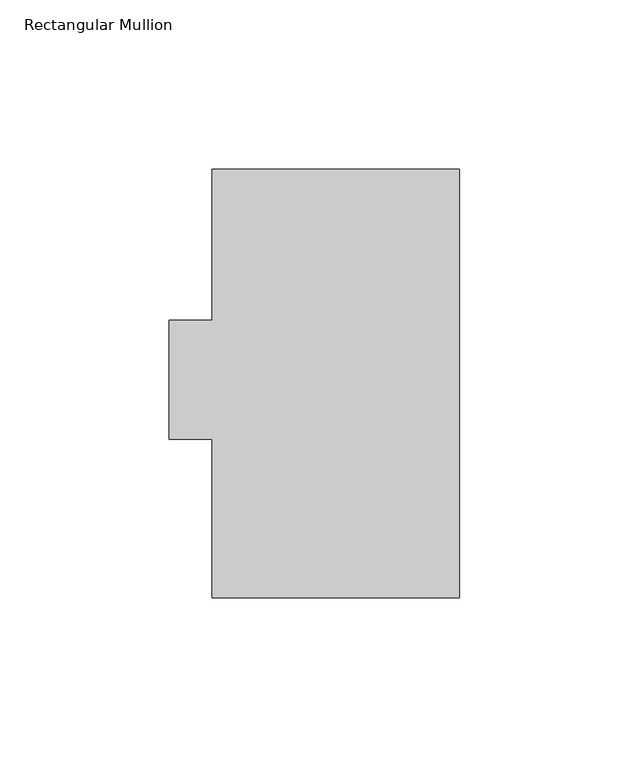
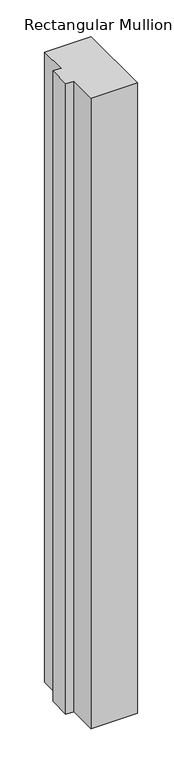
"""IFC4 building model written with IfcOpenShell, lengths in millimetres: member geometry, Rectangular Mullion."""

import ifcopenshell
import ifcopenshell.guid

model = None  # the IFC model being written
_history = None  # IfcOwnerHistory: only IFC2X3 demands one
_inside = {}  # id of a spatial element -> (the spatial element, [elements in it])
_under = {}  # id of a project, library or spatial element -> (it, [spatial elements below it])
_declared = {}  # id of a project -> (the project, [libraries it declares])
_typed = {}  # id of a type object -> (the type object, [elements of that type])
_made_of = {}  # id of a material, layer set ... -> (it, [elements and type objects made of it])


def new_model(schema):
    """Start an empty IFC model of exactly this schema.

    Asked for "IFC4X3", IfcOpenShell would pick the latest addendum, in which some entities
    have other attributes; the version numbers below select the first issue.
    IFC2X3 requires an IfcOwnerHistory on every rooted entity: one is made here for all.
    """
    global model, _history
    if schema == "IFC4X3":
        model = ifcopenshell.file(schema_version=(4, 3, 0, 0))
    else:
        model = ifcopenshell.file(schema=schema)
    _inside.clear()
    _under.clear()
    _declared.clear()
    _typed.clear()
    _made_of.clear()
    _history = None
    if model.schema == "IFC2X3":
        org = make("IfcOrganization", Name="unknown")
        user = make(
            "IfcPersonAndOrganization",
            ThePerson=make("IfcPerson", FamilyName="unknown"),
            TheOrganization=org,
        )
        app = make(
            "IfcApplication",
            ApplicationDeveloper=org,
            Version="unknown",
            ApplicationFullName="unknown",
            ApplicationIdentifier="unknown",
        )
        _history = make(
            "IfcOwnerHistory",
            OwningUser=user,
            OwningApplication=app,
            ChangeAction="ADDED",
            CreationDate=0,
        )
    return model


def make(cls, **values):
    """One entity of the class cls with the attributes given. An attribute that is None is left unset."""
    return model.create_entity(
        cls, **{name: value for name, value in values.items() if value is not None}
    )


def rooted(cls, **values):
    """An entity with a GlobalId (a new one), such as an element, a storey or a relation."""
    return make(cls, GlobalId=ifcopenshell.guid.new(), OwnerHistory=_history, **values)


def si_unit(unit_type, name, prefix=None):
    """IfcSIUnit, for example si_unit("LENGTHUNIT", "METRE", prefix="MILLI")."""
    return make("IfcSIUnit", UnitType=unit_type, Prefix=prefix, Name=name)


def assignment(units):
    """IfcUnitAssignment: the units of a project."""
    return None if units is None else make("IfcUnitAssignment", Units=units)


def point(xyz):
    """IfcCartesianPoint."""
    return None if xyz is None else make("IfcCartesianPoint", Coordinates=xyz)


def direction(xyz):
    """IfcDirection."""
    return None if xyz is None else make("IfcDirection", DirectionRatios=xyz)


def frame(location, z_axis=None, x_axis=None):
    """IfcAxis2Placement3D, a coordinate frame: its origin and axes. An axis left out is left unset."""
    return make(
        "IfcAxis2Placement3D",
        Location=point(location),
        Axis=direction(z_axis),
        RefDirection=direction(x_axis),
    )


def origin():
    """The frame at (0, 0, 0) with its axes left unset."""
    return frame((0.0, 0.0, 0.0))


def place(relative_to, where):
    """IfcLocalPlacement: puts the frame where relative to a parent placement (None: the world)."""
    return make(
        "IfcLocalPlacement", PlacementRelTo=relative_to, RelativePlacement=where
    )


def context(
    kind, dimensions, precision=None, world=None, true_north=None, identifier=None
):
    """IfcGeometricRepresentationContext, for example the 3D "Model" context."""
    return make(
        "IfcGeometricRepresentationContext",
        ContextIdentifier=identifier,
        ContextType=kind,
        CoordinateSpaceDimension=dimensions,
        Precision=precision,
        WorldCoordinateSystem=world,
        TrueNorth=true_north,
    )


def project(units=None, contexts=None):
    """IfcProject with its units and contexts."""
    return rooted(
        "IfcProject",
        Name="project",
        RepresentationContexts=contexts,
        UnitsInContext=assignment(units),
    )


def spatial(cls, under=None, at=None, **own):
    """A site, building, storey or space (cls), placed at a placement, below another one or the project."""
    s = rooted(cls, ObjectPlacement=at, **own)
    if under is not None:
        _under.setdefault(under.id(), (under, []))[1].append(s)
    return s


def polyline(points):
    """IfcPolyline through the points."""
    return make("IfcPolyline", Points=[point(p) for p in points])


def outline(outer, holes=None, kind="AREA"):
    """IfcArbitraryClosedProfileDef: a profile drawn as a closed curve; with holes, ...WithVoids."""
    if holes is None:
        return make("IfcArbitraryClosedProfileDef", ProfileType=kind, OuterCurve=outer)
    return make(
        "IfcArbitraryProfileDefWithVoids",
        ProfileType=kind,
        OuterCurve=outer,
        InnerCurves=holes,
    )


def extrude(swept, where, along, depth):
    """IfcExtrudedAreaSolid: the profile swept, set in the frame where, extruded along a direction by depth."""
    return make(
        "IfcExtrudedAreaSolid",
        SweptArea=swept,
        Position=where,
        ExtrudedDirection=direction(along),
        Depth=depth,
    )


def shape(context_of_items, identifier, shape_type, items):
    """IfcShapeRepresentation: the items that make up one representation, for example the "Body"."""
    return make(
        "IfcShapeRepresentation",
        ContextOfItems=context_of_items,
        RepresentationIdentifier=identifier,
        RepresentationType=shape_type,
        Items=items,
    )


def source(mapping_origin, context_of_items, identifier, shape_type, items):
    """IfcRepresentationMap: a shape defined once, which mapped items show again and again."""
    return make(
        "IfcRepresentationMap",
        MappingOrigin=mapping_origin,
        MappedRepresentation=shape(context_of_items, identifier, shape_type, items),
    )


def transform(
    local_origin,
    x_axis=None,
    y_axis=None,
    z_axis=None,
    scale=None,
    scale2=None,
    scale3=None,
    uniform=True,
):
    """IfcCartesianTransformationOperator3D, or its non-uniform kind. x_axis, y_axis, z_axis: its Axis1, 2, 3."""
    if uniform:
        return make(
            "IfcCartesianTransformationOperator3D",
            Axis1=direction(x_axis),
            Axis2=direction(y_axis),
            LocalOrigin=point(local_origin),
            Scale=scale,
            Axis3=direction(z_axis),
        )
    return make(
        "IfcCartesianTransformationOperator3DnonUniform",
        Axis1=direction(x_axis),
        Axis2=direction(y_axis),
        LocalOrigin=point(local_origin),
        Scale=scale,
        Axis3=direction(z_axis),
        Scale2=scale2,
        Scale3=scale3,
    )


def mapped(mapping_source, mapping_target):
    """IfcMappedItem: shows the shape of a source again, moved by a transform."""
    return make(
        "IfcMappedItem", MappingSource=mapping_source, MappingTarget=mapping_target
    )


def made_of(thing, what):
    """Note that an element or type object is made of a material, layer set ...; save() writes the relation."""
    if what is not None:
        _made_of.setdefault(what.id(), (what, []))[1].append(thing)
    return thing


def element(
    cls,
    number,
    at=None,
    inside=None,
    cuts=None,
    type_object=None,
    material=None,
    context=None,
    identifier="Body",
    shape_type=None,
    held_by="IfcProductDefinitionShape",
    body=None,
    shapes=None,
    **own,
):
    """One element of the class cls, such as IfcWall. Its Tag is "e" and its number.

    at: its placement. inside: the storey or other place that contains it. cuts: it is an
    opening in that element (IfcRelVoidsElement). A single representation is given by context,
    identifier, shape_type and body (its items); several are given by shapes. held_by: the class
    of the entity that holds the representations. save() writes the other relations.
    """
    e = rooted(cls, Tag="e%d" % number, ObjectPlacement=at, **own)
    if body is not None:
        shapes = [shape(context, identifier, shape_type, body)]
    if shapes is not None:
        e.Representation = make(held_by, Representations=shapes)
    if inside is not None:
        _inside.setdefault(inside.id(), (inside, []))[1].append(e)
    if cuts is not None:
        rooted(
            "IfcRelVoidsElement", RelatingBuildingElement=cuts, RelatedOpeningElement=e
        )
    if type_object is not None:
        _typed.setdefault(type_object.id(), (type_object, []))[1].append(e)
    return made_of(e, material)


def aggregate(whole, parts):
    """IfcRelAggregates: a whole, such as a stair, and the parts it consists of."""
    return rooted("IfcRelAggregates", RelatingObject=whole, RelatedObjects=parts)


def save(model, path):
    """Write the relations noted so far, then the file.

    IfcRelAggregates (storeys below a building ...), IfcRelContainedInSpatialStructure (elements
    in a storey), IfcRelDefinesByType, IfcRelAssociatesMaterial and IfcRelDeclares: one each for
    every whole, place, type object, material and project.
    """
    for whole, parts in _under.values():
        aggregate(whole, parts)
    for where, things in _inside.values():
        rooted(
            "IfcRelContainedInSpatialStructure",
            RelatedElements=things,
            RelatingStructure=where,
        )
    for kind, things in _typed.values():
        rooted("IfcRelDefinesByType", RelatedObjects=things, RelatingType=kind)
    for what, things in _made_of.values():
        rooted("IfcRelAssociatesMaterial", RelatedObjects=things, RelatingMaterial=what)
    for by, libraries in _declared.values():
        rooted("IfcRelDeclares", RelatingContext=by, RelatedDefinitions=libraries)
    model.write(path)


def rectangular_mullion_de1246f9(model_context):
    return source(origin(), model_context, "Body", "SweptSolid", [
        extrude(outline(polyline([(-73.025, 126.4546938), (0.0, 126.4546938), (0.0, -0.0373062), (-73.025, -0.0373062), (-73.025, 46.8256938), (-85.725, 46.8256938), (-85.725, 82.0046937), (-73.025, 82.0046937), (-73.025, 126.4546938)])), frame((0.0, 0.0, -1047.75), z_axis=(0.0, 0.0, 1.0), x_axis=(1.0, 0.0, 0.0)), (0.0, 0.0, 1.0), 1047.75),
    ])


if __name__ == "__main__":
    model = new_model("IFC4")
    model_context = context("Model", 3, world=origin())
    ifc_project = project(units=[si_unit("LENGTHUNIT", "METRE", prefix="MILLI")], contexts=[model_context])
    site = spatial("IfcSite", under=ifc_project)
    building = spatial("IfcBuilding", under=site)
    placement = place(None, origin())
    rectangular_mullion_shape = rectangular_mullion_de1246f9(model_context)
    element("IfcMember", 1, ObjectType="Rectangular Mullion", at=placement, inside=building, context=model_context, shape_type="MappedRepresentation", body=[
        mapped(rectangular_mullion_shape, transform((0.0, 0.0, 0.0), x_axis=(1.0, 0.0, 0.0), y_axis=(0.0, 1.0, 0.0), z_axis=(0.0, 0.0, 1.0))),
    ])
    save(model, "model.ifc")
